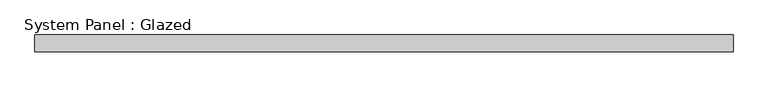
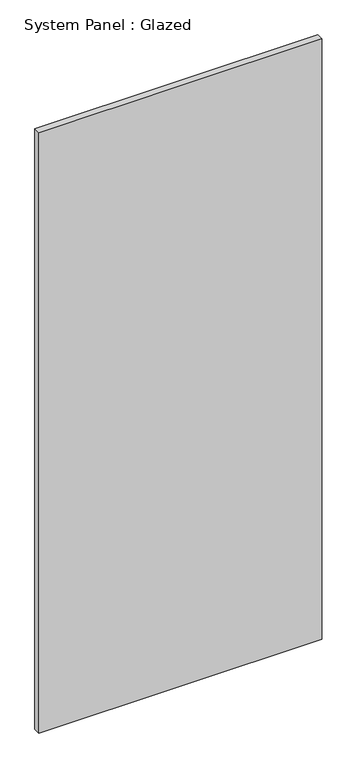
"""IFC4 building model written with IfcOpenShell, lengths in millimetres: plate geometry, System Panel : Glazed."""

from ifc_helpers import new_model, si_unit, origin, origin_with_axes, place, context, project, spatial, polyline, outline, extrude, source, transform, mapped, element, save


def system_panel_glazed_0b15ae18(model_context):
    return source(origin(), model_context, "Body", "SweptSolid", [
        extrude(outline(polyline([(518.2894738, 52.5), (-518.2894738, 52.5), (-518.2894738, 77.5), (518.2894738, 77.5), (518.2894738, 52.5)])), origin_with_axes(), (0.0, 0.0, 1.0), 2325.0),
    ])


if __name__ == "__main__":
    model = new_model("IFC4")
    model_context = context("Model", 3, world=origin())
    ifc_project = project(units=[si_unit("LENGTHUNIT", "METRE", prefix="MILLI")], contexts=[model_context])
    site = spatial("IfcSite", under=ifc_project)
    building = spatial("IfcBuilding", under=site)
    placement = place(None, origin())
    system_panel_glazed_shape = system_panel_glazed_0b15ae18(model_context)
    element("IfcPlate", 1, ObjectType="System Panel : Glazed", at=placement, inside=building, context=model_context, shape_type="MappedRepresentation", body=[
        mapped(system_panel_glazed_shape, transform((0.0, 0.0, 0.0), x_axis=(1.0, 0.0, 0.0), y_axis=(0.0, 1.0, 0.0), z_axis=(0.0, 0.0, 1.0))),
    ])
    save(model, "model.ifc")
